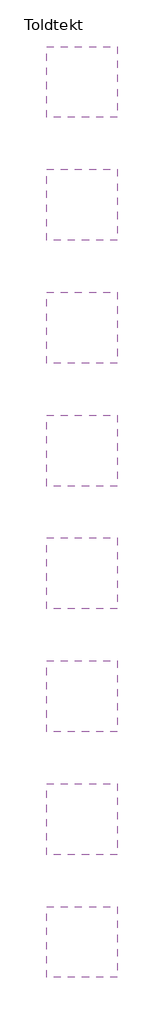
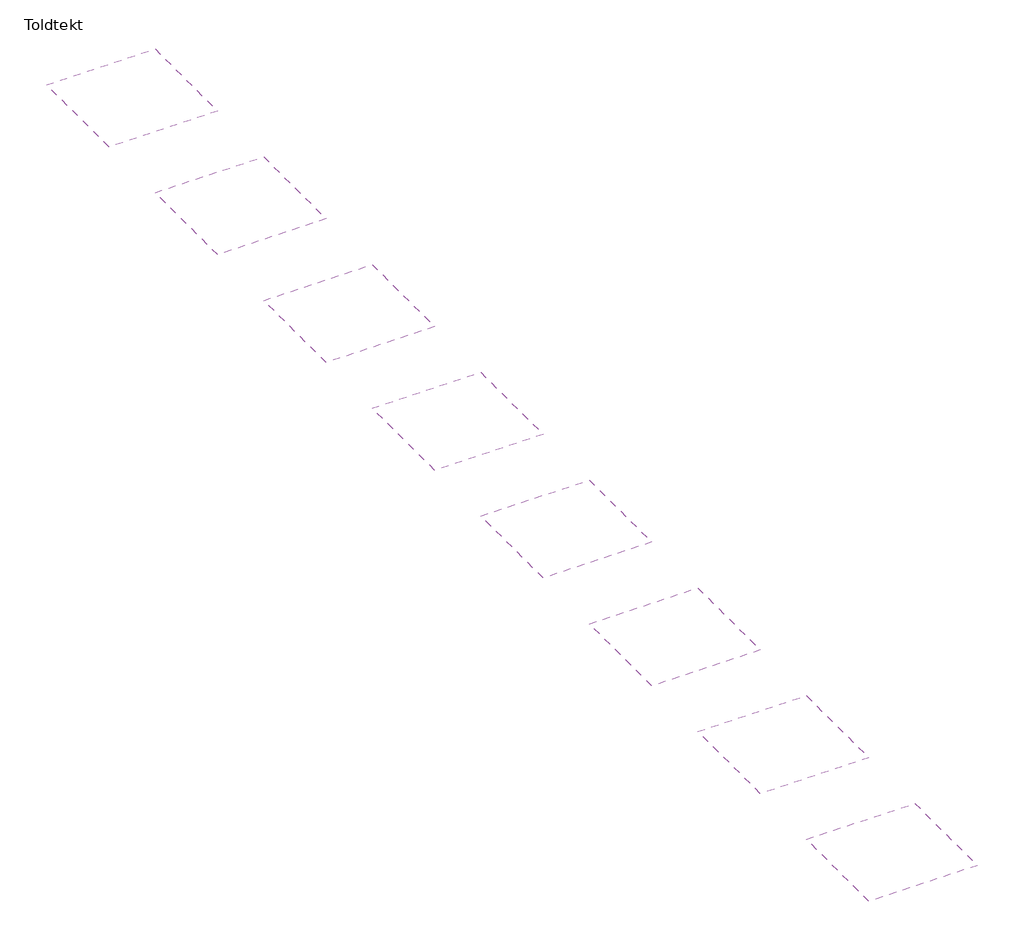
# One storey: 8 coverings.
"""IFC4 building model written with IfcOpenShell, lengths in millimetres."""

from ifc_helpers import new_model, si_unit, frame, origin, place, context, project, spatial, polyline, outline, extrude, element, save

model = new_model("IFC4")

# Units and contexts
model_context = context("Model", 3, world=origin())
ifc_project = project(units=[si_unit("LENGTHUNIT", "METRE", prefix="MILLI")], contexts=[model_context])

# Site, building, storey
site = spatial("IfcSite", under=ifc_project)
building = spatial("IfcBuilding", under=site)
storey = spatial("IfcBuildingStorey", under=building, Name="Toldtekt", Elevation=0.0)

# Coverings
placement = place(None, origin())
element("IfcCovering", 1, ObjectType="Troldtekt_Plus_wood_25+40mm, 600X1200 running bond", at=placement, inside=storey, context=model_context, shape_type="SweptSolid", body=[
    extrude(outline(polyline([(17169.5723108, 24163.0097108), (17169.5723108, 21163.0097108), (14169.5723108, 21163.0097108), (14169.5723108, 24163.0097108), (17169.5723108, 24163.0097108)])), frame((0.0, 0.0, 2600.0), z_axis=(0.0, 0.0, 1.0), x_axis=(1.0, 0.0, 0.0)), (0.0, 0.0, 1.0), 70.0),
])
element("IfcCovering", 2, ObjectType="Troldtekt_Plus_wood_25+40mm, 600X1200 stack bond", at=placement, inside=storey, context=model_context, shape_type="SweptSolid", body=[
    extrude(outline(polyline([(17169.5723108, 18963.021805), (17169.5723108, 15963.021805), (14169.5723108, 15963.021805), (14169.5723108, 18963.021805), (17169.5723108, 18963.021805)])), frame((0.0, 0.0, 2600.0), z_axis=(0.0, 0.0, 1.0), x_axis=(1.0, 0.0, 0.0)), (0.0, 0.0, 1.0), 70.0),
])
element("IfcCovering", 3, ObjectType="Troldtekt_Plus_wood_25+40mm, 600X2000 running bond", at=placement, inside=storey, context=model_context, shape_type="SweptSolid", body=[
    extrude(outline(polyline([(17169.5723108, 13763.0338993), (17169.5723108, 10763.0338993), (14169.5723108, 10763.0338993), (14169.5723108, 13763.0338993), (17169.5723108, 13763.0338993)])), frame((0.0, 0.0, 2600.0), z_axis=(0.0, 0.0, 1.0), x_axis=(1.0, 0.0, 0.0)), (0.0, 0.0, 1.0), 70.0),
])
element("IfcCovering", 4, ObjectType="Troldtekt_Plus_wood_25+40mm, 600X2000 stack bond", at=placement, inside=storey, context=model_context, shape_type="SweptSolid", body=[
    extrude(outline(polyline([(17169.5723108, 8563.0459935), (17169.5723108, 5563.0459935), (14169.5723108, 5563.0459935), (14169.5723108, 8563.0459935), (17169.5723108, 8563.0459935)])), frame((0.0, 0.0, 2600.0), z_axis=(0.0, 0.0, 1.0), x_axis=(1.0, 0.0, 0.0)), (0.0, 0.0, 1.0), 80.0),
])
element("IfcCovering", 5, ObjectType="Troldtekt_Plus_wood_25+40mm, 600X2400 running bond", at=placement, inside=storey, context=model_context, shape_type="SweptSolid", body=[
    extrude(outline(polyline([(17169.5723108, 3363.0580878), (17169.5723108, 363.0580878), (14169.5723108, 363.0580878), (14169.5723108, 3363.0580878), (17169.5723108, 3363.0580878)])), frame((0.0, 0.0, 2600.0), z_axis=(0.0, 0.0, 1.0), x_axis=(1.0, 0.0, 0.0)), (0.0, 0.0, 1.0), 70.0),
])
element("IfcCovering", 6, ObjectType="Troldtekt_Plus_wood_25+40mm, 600X2400 stack bond", at=placement, inside=storey, context=model_context, shape_type="SweptSolid", body=[
    extrude(outline(polyline([(17169.5723108, -1836.929818), (17169.5723108, -4836.929818), (14169.5723108, -4836.929818), (14169.5723108, -1836.929818), (17169.5723108, -1836.929818)])), frame((0.0, 0.0, 2600.0), z_axis=(0.0, 0.0, 1.0), x_axis=(1.0, 0.0, 0.0)), (0.0, 0.0, 1.0), 70.0),
])
element("IfcCovering", 7, ObjectType="Troldtekt_Plus_wood_25+40mm, 600X600 running bond", at=placement, inside=storey, context=model_context, shape_type="SweptSolid", body=[
    extrude(outline(polyline([(17169.5723108, 34562.9855223), (17169.5723108, 31562.9855223), (14169.5723108, 31562.9855223), (14169.5723108, 34562.9855223), (17169.5723108, 34562.9855223)])), frame((0.0, 0.0, 2600.0), z_axis=(0.0, 0.0, 1.0), x_axis=(1.0, 0.0, 0.0)), (0.0, 0.0, 1.0), 70.0),
])
element("IfcCovering", 8, ObjectType="Troldtekt_Plus_wood_25+40mm, 600X600 stack bond", at=placement, inside=storey, context=model_context, shape_type="SweptSolid", body=[
    extrude(outline(polyline([(17169.5723108, 29362.9976165), (17169.5723108, 26362.9976165), (14169.5723108, 26362.9976165), (14169.5723108, 29362.9976165), (17169.5723108, 29362.9976165)])), frame((0.0, 0.0, 2600.0), z_axis=(0.0, 0.0, 1.0), x_axis=(1.0, 0.0, 0.0)), (0.0, 0.0, 1.0), 70.0),
])

save(model, "model.ifc")
